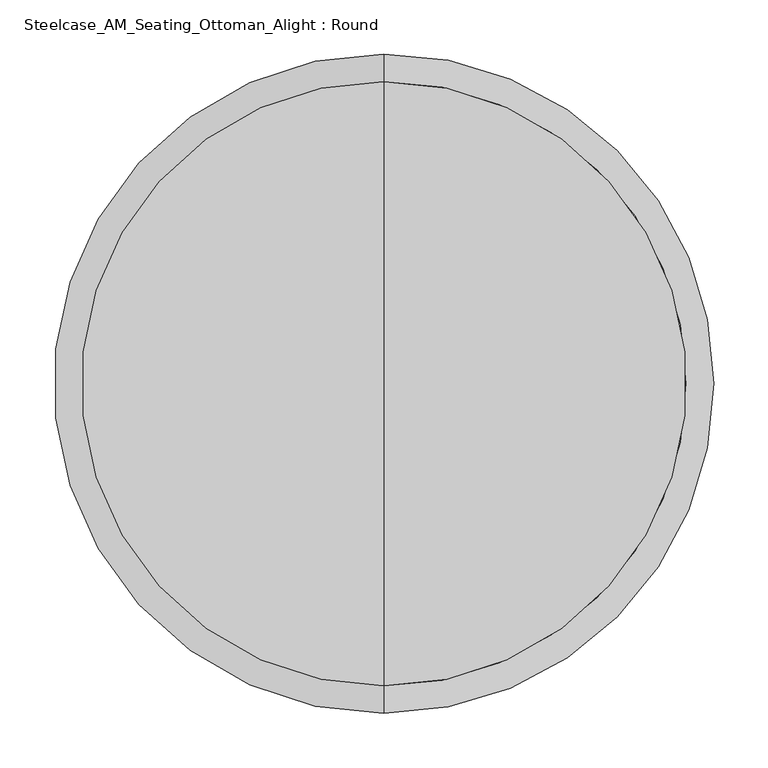
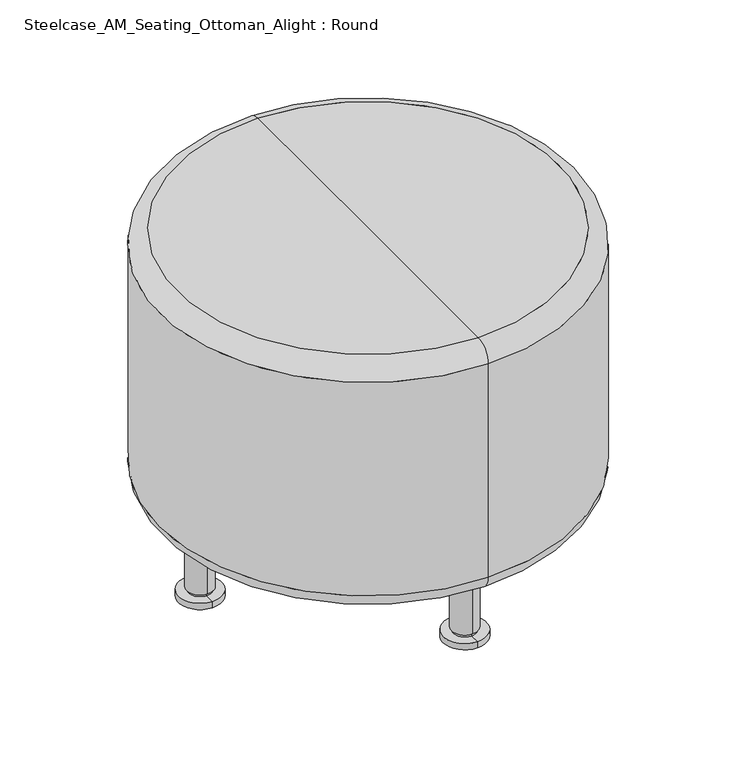
"""IFC4 building model written with IfcOpenShell, lengths in millimetres: furniture geometry, Steelcase_AM_Seating_Ottoman_Alight : Round."""

from ifc_helpers import new_model, si_unit, point, frame, origin, place, context, project, spatial, circle_curve, ellipse_curve, trimmed, source, transform, mapped, element, save
from ifc_brep_helpers import plane_surface, cylinder_surface, revolved_surface, advanced_brep


def steelcase_am_seating_ottoman_alight_round_7d68c386(model_context):
    return source(origin(), model_context, "Body", "AdvancedBrep", [
        advanced_brep(
        [(0.0, 279.4889481, 482.5999727), (0.0, -279.4889481, 482.5999727), (0.0, 0.0, 482.5999727), (0.0, 304.8889481, 457.1999727), (0.0, -304.8889481, 457.1999727), (0.0, 304.8889481, 127.0), (0.0, -304.8889481, 127.0), (0.0, 279.4889481, 101.6), (0.0, -279.4889481, 101.6), (0.0, 0.0, 101.6)],
        [
            (0, 1, circle_curve(frame((0.0, 0.0, 482.5999727), z_axis=(0.0, 0.0, 1.0), x_axis=(0.0, -1.0, 0.0)), 279.4889481)),
            (1, 2),
            (2, 0),
            (1, 0, circle_curve(frame((0.0, 0.0, 482.5999727), z_axis=(0.0, 0.0, 1.0), x_axis=(0.0, -1.0, 0.0)), 279.4889481)),
            (3, 4, circle_curve(frame((0.0, 0.0, 457.1999727), z_axis=(0.0, 0.0, 1.0), x_axis=(0.0, -1.0, 0.0)), 304.8889481)),
            (4, 1, circle_curve(frame((0.0, -279.4889481, 457.1999727), z_axis=(-1.0, 0.0, 0.0), x_axis=(0.0, 1.0, 0.0)), 25.4)),
            (0, 3, circle_curve(frame((0.0, 279.4889481, 457.1999727), z_axis=(-1.0, 0.0, 0.0), x_axis=(0.0, -1.0, 0.0)), 25.4)),
            (4, 3, circle_curve(frame((0.0, 0.0, 457.1999727), z_axis=(0.0, 0.0, 1.0), x_axis=(0.0, -1.0, 0.0)), 304.8889481)),
            (5, 6, circle_curve(frame((0.0, 0.0, 127.0), z_axis=(0.0, 0.0, 1.0), x_axis=(0.0, -1.0, 0.0)), 304.8889481)),
            (6, 4),
            (3, 5),
            (6, 5, circle_curve(frame((0.0, 0.0, 127.0), z_axis=(0.0, 0.0, 1.0), x_axis=(0.0, -1.0, 0.0)), 304.8889481)),
            (7, 8, circle_curve(frame((0.0, 0.0, 101.6), z_axis=(0.0, 0.0, 1.0), x_axis=(0.0, -1.0, 0.0)), 279.4889481)),
            (8, 6, circle_curve(frame((0.0, -279.4889481, 127.0), z_axis=(-1.0, 0.0, 0.0), x_axis=(0.0, 1.0, 0.0)), 25.4)),
            (5, 7, circle_curve(frame((0.0, 279.4889481, 127.0), z_axis=(-1.0, 0.0, 0.0), x_axis=(0.0, -1.0, 0.0)), 25.4)),
            (8, 7, circle_curve(frame((0.0, 0.0, 101.6), z_axis=(0.0, 0.0, 1.0), x_axis=(0.0, -1.0, 0.0)), 279.4889481)),
            (9, 8),
            (7, 9),
        ],
        [
            plane_surface(frame((0.0, 0.0, 482.5999727), z_axis=(0.0, 0.0, 1.0), x_axis=(0.0, -1.0, 0.0))),
            revolved_surface(trimmed(ellipse_curve(frame((0.0, -279.4889481, 457.1999727), z_axis=(1.0, 0.0, 0.0), x_axis=(0.0, 1.0, 0.0)), 25.4, 25.4), [point((0.0, -279.4889481, 482.5999727))], [point((0.0, -304.8889481, 457.1999727))], True, "CARTESIAN"), (0.0, 0.0, 315.1007369), (0.0, 0.0, -1.0)),
            cylinder_surface(frame((0.0, 0.0, 315.1007369), z_axis=(0.0, 0.0, -1.0), x_axis=(0.0, -1.0, 0.0)), 304.8889481),
            revolved_surface(trimmed(ellipse_curve(frame((0.0, -279.4889481, 127.0), z_axis=(1.0, 0.0, 0.0), x_axis=(0.0, 1.0, 0.0)), 25.4, 25.4), [point((0.0, -304.8889481, 127.0))], [point((0.0, -279.4889481, 101.6))], True, "CARTESIAN"), (0.0, 0.0, 315.1007369), (0.0, 0.0, -1.0)),
            plane_surface(frame((0.0, 0.0, 101.6), z_axis=(0.0, 0.0, -1.0), x_axis=(0.0, -1.0, 0.0))),
        ],
        [
            (0, [[1, 2, 3]]),
            (0, [[4, -3, -2]]),
            (1, [[5, 6, -1, 7]]),
            (1, [[8, -7, -4, -6]]),
            (2, [[9, 10, -5, 11]]),
            (2, [[12, -11, -8, -10]]),
            (3, [[13, 14, -9, 15]]),
            (3, [[16, -15, -12, -14]]),
            (4, [[17, -13, 18]]),
            (4, [[-18, -16, -17]]),
        ],
    ),
        advanced_brep(
        [(-246.3731326, -29.9506838, 0.0), (-246.3731326, -0.8303683, 0.0), (-246.3731326, 28.2899473, 0.0), (-246.3731326, -29.9506838, 1.2699867), (-246.3731326, 28.2899473, 1.2699867), (-246.3731326, -32.5801745, 1.2699867), (-246.3731326, 30.9194379, 1.2699867), (-246.3731326, -32.5801745, 10.6679864), (-246.3731326, 30.9194379, 10.6679864), (-246.3731326, -17.8549105, 10.6679864), (-246.3731326, 16.1941739, 10.6679864), (-246.3731326, -17.8549105, 15.2399866), (-246.3731326, 16.1941739, 15.2399866), (-246.3731326, -20.1408175, 15.2399866), (-246.3731326, 18.4800809, 15.2399866), (-246.3731326, -20.1408175, 98.297988), (-246.3731326, 18.4800809, 98.297988), (-246.3731326, -23.1888873, 98.297988), (-246.3731326, 21.5281507, 98.297988), (-246.3731326, -23.1888873, 101.6), (-246.3731326, 21.5281507, 101.6), (-246.3731326, -0.8303683, 101.6)],
        [
            (0, 1),
            (1, 2),
            (2, 0, circle_curve(frame((-246.3731326, -0.8303683, 0.0), z_axis=(0.0, 0.0, -1.0), x_axis=(0.0, 1.0, 0.0)), 29.1203156)),
            (0, 2, circle_curve(frame((-246.3731326, -0.8303683, 0.0), z_axis=(0.0, 0.0, -1.0), x_axis=(0.0, 1.0, 0.0)), 29.1203156)),
            (3, 0),
            (2, 4),
            (4, 3, circle_curve(frame((-246.3731326, -0.8303683, 1.2699867), z_axis=(0.0, 0.0, -1.0), x_axis=(0.0, 1.0, 0.0)), 29.1203156)),
            (3, 4, circle_curve(frame((-246.3731326, -0.8303683, 1.2699867), z_axis=(0.0, 0.0, -1.0), x_axis=(0.0, 1.0, 0.0)), 29.1203156)),
            (5, 3),
            (4, 6),
            (6, 5, circle_curve(frame((-246.3731326, -0.8303683, 1.2699867), z_axis=(0.0, 0.0, -1.0), x_axis=(0.0, 1.0, 0.0)), 31.7498062)),
            (5, 6, circle_curve(frame((-246.3731326, -0.8303683, 1.2699867), z_axis=(0.0, 0.0, -1.0), x_axis=(0.0, 1.0, 0.0)), 31.7498062)),
            (7, 5),
            (6, 8),
            (8, 7, circle_curve(frame((-246.3731326, -0.8303683, 10.6679864), z_axis=(0.0, 0.0, -1.0), x_axis=(0.0, 1.0, 0.0)), 31.7498062)),
            (7, 8, circle_curve(frame((-246.3731326, -0.8303683, 10.6679864), z_axis=(0.0, 0.0, -1.0), x_axis=(0.0, 1.0, 0.0)), 31.7498062)),
            (9, 7),
            (8, 10),
            (10, 9, circle_curve(frame((-246.3731326, -0.8303683, 10.6679864), z_axis=(0.0, 0.0, -1.0), x_axis=(0.0, 1.0, 0.0)), 17.0245422)),
            (9, 10, circle_curve(frame((-246.3731326, -0.8303683, 10.6679864), z_axis=(0.0, 0.0, -1.0), x_axis=(0.0, 1.0, 0.0)), 17.0245422)),
            (11, 9),
            (10, 12),
            (12, 11, circle_curve(frame((-246.3731326, -0.8303683, 15.2399866), z_axis=(0.0, 0.0, -1.0), x_axis=(0.0, 1.0, 0.0)), 17.0245422)),
            (11, 12, circle_curve(frame((-246.3731326, -0.8303683, 15.2399866), z_axis=(0.0, 0.0, -1.0), x_axis=(0.0, 1.0, 0.0)), 17.0245422)),
            (13, 11),
            (12, 14),
            (14, 13, circle_curve(frame((-246.3731326, -0.8303683, 15.2399866), z_axis=(0.0, 0.0, -1.0), x_axis=(0.0, 1.0, 0.0)), 19.3104492)),
            (13, 14, circle_curve(frame((-246.3731326, -0.8303683, 15.2399866), z_axis=(0.0, 0.0, -1.0), x_axis=(0.0, 1.0, 0.0)), 19.3104492)),
            (15, 13),
            (14, 16),
            (16, 15, circle_curve(frame((-246.3731326, -0.8303683, 98.297988), z_axis=(0.0, 0.0, -1.0), x_axis=(0.0, 1.0, 0.0)), 19.3104492)),
            (15, 16, circle_curve(frame((-246.3731326, -0.8303683, 98.297988), z_axis=(0.0, 0.0, -1.0), x_axis=(0.0, 1.0, 0.0)), 19.3104492)),
            (17, 15),
            (16, 18),
            (18, 17, circle_curve(frame((-246.3731326, -0.8303683, 98.297988), z_axis=(0.0, 0.0, -1.0), x_axis=(0.0, 1.0, 0.0)), 22.358519)),
            (17, 18, circle_curve(frame((-246.3731326, -0.8303683, 98.297988), z_axis=(0.0, 0.0, -1.0), x_axis=(0.0, 1.0, 0.0)), 22.358519)),
            (19, 17),
            (18, 20),
            (20, 19, circle_curve(frame((-246.3731326, -0.8303683, 101.6), z_axis=(0.0, 0.0, -1.0), x_axis=(0.0, 1.0, 0.0)), 22.358519)),
            (19, 20, circle_curve(frame((-246.3731326, -0.8303683, 101.6), z_axis=(0.0, 0.0, -1.0), x_axis=(0.0, 1.0, 0.0)), 22.358519)),
            (21, 19),
            (20, 21),
        ],
        [
            plane_surface(frame((-246.3731326, -0.8303683, 0.0), z_axis=(0.0, 0.0, -1.0), x_axis=(0.0, 1.0, 0.0))),
            cylinder_surface(frame((-246.3731326, -0.8303683, 93.7259863), z_axis=(0.0, 0.0, 1.0), x_axis=(0.0, 1.0, 0.0)), 29.1203156),
            plane_surface(frame((-246.3731326, -0.8303683, 1.2699867), z_axis=(0.0, 0.0, -1.0), x_axis=(0.0, 1.0, 0.0))),
            cylinder_surface(frame((-246.3731326, -0.8303683, 93.7259863), z_axis=(0.0, 0.0, 1.0), x_axis=(0.0, 1.0, 0.0)), 31.7498062),
            plane_surface(frame((-246.3731326, -0.8303683, 10.6679864), z_axis=(0.0, 0.0, 1.0), x_axis=(0.0, 1.0, 0.0))),
            cylinder_surface(frame((-246.3731326, -0.8303683, 93.7259863), z_axis=(0.0, 0.0, 1.0), x_axis=(0.0, 1.0, 0.0)), 17.0245422),
            plane_surface(frame((-246.3731326, -0.8303683, 15.2399866), z_axis=(0.0, 0.0, -1.0), x_axis=(0.0, 1.0, 0.0))),
            cylinder_surface(frame((-246.3731326, -0.8303683, 93.7259863), z_axis=(0.0, 0.0, 1.0), x_axis=(0.0, 1.0, 0.0)), 19.3104492),
            plane_surface(frame((-246.3731326, -0.8303683, 98.297988), z_axis=(0.0, 0.0, -1.0), x_axis=(0.0, 1.0, 0.0))),
            cylinder_surface(frame((-246.3731326, -0.8303683, 93.7259863), z_axis=(0.0, 0.0, 1.0), x_axis=(0.0, 1.0, 0.0)), 22.358519),
            plane_surface(frame((-246.3731326, -0.8303683, 101.6), z_axis=(0.0, 0.0, 1.0), x_axis=(0.0, 1.0, 0.0))),
        ],
        [
            (0, [[1, 2, 3]]),
            (0, [[-2, -1, 4]]),
            (1, [[5, -3, 6, 7]]),
            (1, [[-6, -4, -5, 8]]),
            (2, [[9, -7, 10, 11]]),
            (2, [[-10, -8, -9, 12]]),
            (3, [[13, -11, 14, 15]]),
            (3, [[-14, -12, -13, 16]]),
            (4, [[17, -15, 18, 19]]),
            (4, [[-18, -16, -17, 20]]),
            (5, [[21, -19, 22, 23]]),
            (5, [[-22, -20, -21, 24]]),
            (6, [[25, -23, 26, 27]]),
            (6, [[-26, -24, -25, 28]]),
            (7, [[29, -27, 30, 31]]),
            (7, [[-30, -28, -29, 32]]),
            (8, [[33, -31, 34, 35]]),
            (8, [[-34, -32, -33, 36]]),
            (9, [[37, -35, 38, 39]]),
            (9, [[-38, -36, -37, 40]]),
            (10, [[41, -39, 42]]),
            (10, [[-42, -40, -41]]),
        ],
    ),
        advanced_brep(
        [(0.0, -216.4224487, 0.0), (0.0, -245.5427643, 0.0), (0.0, -274.6630798, 0.0), (0.0, -216.4224487, 1.2699867), (0.0, -274.6630798, 1.2699867), (0.0, -213.7929581, 1.2699867), (0.0, -277.2925705, 1.2699867), (0.0, -213.7929581, 10.6679864), (0.0, -277.2925705, 10.6679864), (0.0, -228.518222, 10.6679864), (0.0, -262.5673065, 10.6679864), (0.0, -228.518222, 15.2399866), (0.0, -262.5673065, 15.2399866), (0.0, -226.2323151, 15.2399866), (0.0, -264.8532135, 15.2399866), (0.0, -226.2323151, 98.297988), (0.0, -264.8532135, 98.297988), (0.0, -223.1842453, 98.297988), (0.0, -267.9012833, 98.297988), (0.0, -223.1842453, 101.6), (0.0, -267.9012833, 101.6), (0.0, -245.5427643, 101.6)],
        [
            (0, 1),
            (1, 2),
            (2, 0, circle_curve(frame((0.0, -245.5427643, 0.0), z_axis=(0.0, 0.0, -1.0), x_axis=(0.0, -1.0, 0.0)), 29.1203156)),
            (0, 2, circle_curve(frame((0.0, -245.5427643, 0.0), z_axis=(0.0, 0.0, -1.0), x_axis=(0.0, -1.0, 0.0)), 29.1203156)),
            (3, 0),
            (2, 4),
            (4, 3, circle_curve(frame((0.0, -245.5427643, 1.2699867), z_axis=(0.0, 0.0, -1.0), x_axis=(0.0, -1.0, 0.0)), 29.1203156)),
            (3, 4, circle_curve(frame((0.0, -245.5427643, 1.2699867), z_axis=(0.0, 0.0, -1.0), x_axis=(0.0, -1.0, 0.0)), 29.1203156)),
            (5, 3),
            (4, 6),
            (6, 5, circle_curve(frame((0.0, -245.5427643, 1.2699867), z_axis=(0.0, 0.0, -1.0), x_axis=(0.0, -1.0, 0.0)), 31.7498062)),
            (5, 6, circle_curve(frame((0.0, -245.5427643, 1.2699867), z_axis=(0.0, 0.0, -1.0), x_axis=(0.0, -1.0, 0.0)), 31.7498062)),
            (7, 5),
            (6, 8),
            (8, 7, circle_curve(frame((0.0, -245.5427643, 10.6679864), z_axis=(0.0, 0.0, -1.0), x_axis=(0.0, -1.0, 0.0)), 31.7498062)),
            (7, 8, circle_curve(frame((0.0, -245.5427643, 10.6679864), z_axis=(0.0, 0.0, -1.0), x_axis=(0.0, -1.0, 0.0)), 31.7498062)),
            (9, 7),
            (8, 10),
            (10, 9, circle_curve(frame((0.0, -245.5427643, 10.6679864), z_axis=(0.0, 0.0, -1.0), x_axis=(0.0, -1.0, 0.0)), 17.0245422)),
            (9, 10, circle_curve(frame((0.0, -245.5427643, 10.6679864), z_axis=(0.0, 0.0, -1.0), x_axis=(0.0, -1.0, 0.0)), 17.0245422)),
            (11, 9),
            (10, 12),
            (12, 11, circle_curve(frame((0.0, -245.5427643, 15.2399866), z_axis=(0.0, 0.0, -1.0), x_axis=(0.0, -1.0, 0.0)), 17.0245422)),
            (11, 12, circle_curve(frame((0.0, -245.5427643, 15.2399866), z_axis=(0.0, 0.0, -1.0), x_axis=(0.0, -1.0, 0.0)), 17.0245422)),
            (13, 11),
            (12, 14),
            (14, 13, circle_curve(frame((0.0, -245.5427643, 15.2399866), z_axis=(0.0, 0.0, -1.0), x_axis=(0.0, -1.0, 0.0)), 19.3104492)),
            (13, 14, circle_curve(frame((0.0, -245.5427643, 15.2399866), z_axis=(0.0, 0.0, -1.0), x_axis=(0.0, -1.0, 0.0)), 19.3104492)),
            (15, 13),
            (14, 16),
            (16, 15, circle_curve(frame((0.0, -245.5427643, 98.297988), z_axis=(0.0, 0.0, -1.0), x_axis=(0.0, -1.0, 0.0)), 19.3104492)),
            (15, 16, circle_curve(frame((0.0, -245.5427643, 98.297988), z_axis=(0.0, 0.0, -1.0), x_axis=(0.0, -1.0, 0.0)), 19.3104492)),
            (17, 15),
            (16, 18),
            (18, 17, circle_curve(frame((0.0, -245.5427643, 98.297988), z_axis=(0.0, 0.0, -1.0), x_axis=(0.0, -1.0, 0.0)), 22.358519)),
            (17, 18, circle_curve(frame((0.0, -245.5427643, 98.297988), z_axis=(0.0, 0.0, -1.0), x_axis=(0.0, -1.0, 0.0)), 22.358519)),
            (19, 17),
            (18, 20),
            (20, 19, circle_curve(frame((0.0, -245.5427643, 101.6), z_axis=(0.0, 0.0, -1.0), x_axis=(0.0, -1.0, 0.0)), 22.358519)),
            (19, 20, circle_curve(frame((0.0, -245.5427643, 101.6), z_axis=(0.0, 0.0, -1.0), x_axis=(0.0, -1.0, 0.0)), 22.358519)),
            (21, 19),
            (20, 21),
        ],
        [
            plane_surface(frame((0.0, -245.5427643, 0.0), z_axis=(0.0, 0.0, -1.0), x_axis=(0.0, -1.0, 0.0))),
            cylinder_surface(frame((0.0, -245.5427643, 93.7259863), z_axis=(0.0, 0.0, 1.0), x_axis=(0.0, -1.0, 0.0)), 29.1203156),
            plane_surface(frame((0.0, -245.5427643, 1.2699867), z_axis=(0.0, 0.0, -1.0), x_axis=(0.0, -1.0, 0.0))),
            cylinder_surface(frame((0.0, -245.5427643, 93.7259863), z_axis=(0.0, 0.0, 1.0), x_axis=(0.0, -1.0, 0.0)), 31.7498062),
            plane_surface(frame((0.0, -245.5427643, 10.6679864), z_axis=(0.0, 0.0, 1.0), x_axis=(0.0, -1.0, 0.0))),
            cylinder_surface(frame((0.0, -245.5427643, 93.7259863), z_axis=(0.0, 0.0, 1.0), x_axis=(0.0, -1.0, 0.0)), 17.0245422),
            plane_surface(frame((0.0, -245.5427643, 15.2399866), z_axis=(0.0, 0.0, -1.0), x_axis=(0.0, -1.0, 0.0))),
            cylinder_surface(frame((0.0, -245.5427643, 93.7259863), z_axis=(0.0, 0.0, 1.0), x_axis=(0.0, -1.0, 0.0)), 19.3104492),
            plane_surface(frame((0.0, -245.5427643, 98.297988), z_axis=(0.0, 0.0, -1.0), x_axis=(0.0, -1.0, 0.0))),
            cylinder_surface(frame((0.0, -245.5427643, 93.7259863), z_axis=(0.0, 0.0, 1.0), x_axis=(0.0, -1.0, 0.0)), 22.358519),
            plane_surface(frame((0.0, -245.5427643, 101.6), z_axis=(0.0, 0.0, 1.0), x_axis=(0.0, -1.0, 0.0))),
        ],
        [
            (0, [[1, 2, 3]]),
            (0, [[-2, -1, 4]]),
            (1, [[5, -3, 6, 7]]),
            (1, [[-6, -4, -5, 8]]),
            (2, [[9, -7, 10, 11]]),
            (2, [[-10, -8, -9, 12]]),
            (3, [[13, -11, 14, 15]]),
            (3, [[-14, -12, -13, 16]]),
            (4, [[17, -15, 18, 19]]),
            (4, [[-18, -16, -17, 20]]),
            (5, [[21, -19, 22, 23]]),
            (5, [[-22, -20, -21, 24]]),
            (6, [[25, -23, 26, 27]]),
            (6, [[-26, -24, -25, 28]]),
            (7, [[29, -27, 30, 31]]),
            (7, [[-30, -28, -29, 32]]),
            (8, [[33, -31, 34, 35]]),
            (8, [[-34, -32, -33, 36]]),
            (9, [[37, -35, 38, 39]]),
            (9, [[-38, -36, -37, 40]]),
            (10, [[41, -39, 42]]),
            (10, [[-42, -40, -41]]),
        ],
    ),
        advanced_brep(
        [(246.3731326, -29.9506838, 0.0), (246.3731326, 28.2899473, 0.0), (246.3731326, -0.8303683, 0.0), (246.3731326, -29.9506838, 1.2699867), (246.3731326, 28.2899473, 1.2699867), (246.3731326, -32.5801745, 1.2699867), (246.3731326, 30.9194379, 1.2699867), (246.3731326, -32.5801745, 10.6679864), (246.3731326, 30.9194379, 10.6679864), (246.3731326, -17.8549105, 10.6679864), (246.3731326, 16.1941739, 10.6679864), (246.3731326, -17.8549105, 15.2399866), (246.3731326, 16.1941739, 15.2399866), (246.3731326, -20.1408175, 15.2399866), (246.3731326, 18.4800809, 15.2399866), (246.3731326, -20.1408175, 98.297988), (246.3731326, 18.4800809, 98.297988), (246.3731326, -23.1888873, 98.297988), (246.3731326, 21.5281507, 98.297988), (246.3731326, -23.1888873, 101.6), (246.3731326, 21.5281507, 101.6), (246.3731326, -0.8303683, 101.6)],
        [
            (0, 1, circle_curve(frame((246.3731326, -0.8303683, 0.0), z_axis=(0.0, 0.0, -1.0), x_axis=(0.0, 1.0, 0.0)), 29.1203156)),
            (1, 2),
            (2, 0),
            (1, 0, circle_curve(frame((246.3731326, -0.8303683, 0.0), z_axis=(0.0, 0.0, -1.0), x_axis=(0.0, 1.0, 0.0)), 29.1203156)),
            (3, 4, circle_curve(frame((246.3731326, -0.8303683, 1.2699867), z_axis=(0.0, 0.0, -1.0), x_axis=(0.0, 1.0, 0.0)), 29.1203156)),
            (4, 1),
            (0, 3),
            (4, 3, circle_curve(frame((246.3731326, -0.8303683, 1.2699867), z_axis=(0.0, 0.0, -1.0), x_axis=(0.0, 1.0, 0.0)), 29.1203156)),
            (5, 6, circle_curve(frame((246.3731326, -0.8303683, 1.2699867), z_axis=(0.0, 0.0, -1.0), x_axis=(0.0, 1.0, 0.0)), 31.7498062)),
            (6, 4),
            (3, 5),
            (6, 5, circle_curve(frame((246.3731326, -0.8303683, 1.2699867), z_axis=(0.0, 0.0, -1.0), x_axis=(0.0, 1.0, 0.0)), 31.7498062)),
            (7, 8, circle_curve(frame((246.3731326, -0.8303683, 10.6679864), z_axis=(0.0, 0.0, -1.0), x_axis=(0.0, 1.0, 0.0)), 31.7498062)),
            (8, 6),
            (5, 7),
            (8, 7, circle_curve(frame((246.3731326, -0.8303683, 10.6679864), z_axis=(0.0, 0.0, -1.0), x_axis=(0.0, 1.0, 0.0)), 31.7498062)),
            (9, 10, circle_curve(frame((246.3731326, -0.8303683, 10.6679864), z_axis=(0.0, 0.0, -1.0), x_axis=(0.0, 1.0, 0.0)), 17.0245422)),
            (10, 8),
            (7, 9),
            (10, 9, circle_curve(frame((246.3731326, -0.8303683, 10.6679864), z_axis=(0.0, 0.0, -1.0), x_axis=(0.0, 1.0, 0.0)), 17.0245422)),
            (11, 12, circle_curve(frame((246.3731326, -0.8303683, 15.2399866), z_axis=(0.0, 0.0, -1.0), x_axis=(0.0, 1.0, 0.0)), 17.0245422)),
            (12, 10),
            (9, 11),
            (12, 11, circle_curve(frame((246.3731326, -0.8303683, 15.2399866), z_axis=(0.0, 0.0, -1.0), x_axis=(0.0, 1.0, 0.0)), 17.0245422)),
            (13, 14, circle_curve(frame((246.3731326, -0.8303683, 15.2399866), z_axis=(0.0, 0.0, -1.0), x_axis=(0.0, 1.0, 0.0)), 19.3104492)),
            (14, 12),
            (11, 13),
            (14, 13, circle_curve(frame((246.3731326, -0.8303683, 15.2399866), z_axis=(0.0, 0.0, -1.0), x_axis=(0.0, 1.0, 0.0)), 19.3104492)),
            (15, 16, circle_curve(frame((246.3731326, -0.8303683, 98.297988), z_axis=(0.0, 0.0, -1.0), x_axis=(0.0, 1.0, 0.0)), 19.3104492)),
            (16, 14),
            (13, 15),
            (16, 15, circle_curve(frame((246.3731326, -0.8303683, 98.297988), z_axis=(0.0, 0.0, -1.0), x_axis=(0.0, 1.0, 0.0)), 19.3104492)),
            (17, 18, circle_curve(frame((246.3731326, -0.8303683, 98.297988), z_axis=(0.0, 0.0, -1.0), x_axis=(0.0, 1.0, 0.0)), 22.358519)),
            (18, 16),
            (15, 17),
            (18, 17, circle_curve(frame((246.3731326, -0.8303683, 98.297988), z_axis=(0.0, 0.0, -1.0), x_axis=(0.0, 1.0, 0.0)), 22.358519)),
            (19, 20, circle_curve(frame((246.3731326, -0.8303683, 101.6), z_axis=(0.0, 0.0, -1.0), x_axis=(0.0, 1.0, 0.0)), 22.358519)),
            (20, 18),
            (17, 19),
            (20, 19, circle_curve(frame((246.3731326, -0.8303683, 101.6), z_axis=(0.0, 0.0, -1.0), x_axis=(0.0, 1.0, 0.0)), 22.358519)),
            (21, 20),
            (19, 21),
        ],
        [
            plane_surface(frame((246.3731326, -0.8303683, 0.0), z_axis=(0.0, 0.0, -1.0), x_axis=(0.0, 1.0, 0.0))),
            cylinder_surface(frame((246.3731326, -0.8303683, 93.7259863), z_axis=(0.0, 0.0, 1.0), x_axis=(0.0, 1.0, 0.0)), 29.1203156),
            plane_surface(frame((246.3731326, -0.8303683, 1.2699867), z_axis=(0.0, 0.0, -1.0), x_axis=(0.0, 1.0, 0.0))),
            cylinder_surface(frame((246.3731326, -0.8303683, 93.7259863), z_axis=(0.0, 0.0, 1.0), x_axis=(0.0, 1.0, 0.0)), 31.7498062),
            plane_surface(frame((246.3731326, -0.8303683, 10.6679864), z_axis=(0.0, 0.0, 1.0), x_axis=(0.0, 1.0, 0.0))),
            cylinder_surface(frame((246.3731326, -0.8303683, 93.7259863), z_axis=(0.0, 0.0, 1.0), x_axis=(0.0, 1.0, 0.0)), 17.0245422),
            plane_surface(frame((246.3731326, -0.8303683, 15.2399866), z_axis=(0.0, 0.0, -1.0), x_axis=(0.0, 1.0, 0.0))),
            cylinder_surface(frame((246.3731326, -0.8303683, 93.7259863), z_axis=(0.0, 0.0, 1.0), x_axis=(0.0, 1.0, 0.0)), 19.3104492),
            plane_surface(frame((246.3731326, -0.8303683, 98.297988), z_axis=(0.0, 0.0, -1.0), x_axis=(0.0, 1.0, 0.0))),
            cylinder_surface(frame((246.3731326, -0.8303683, 93.7259863), z_axis=(0.0, 0.0, 1.0), x_axis=(0.0, 1.0, 0.0)), 22.358519),
            plane_surface(frame((246.3731326, -0.8303683, 101.6), z_axis=(0.0, 0.0, 1.0), x_axis=(0.0, 1.0, 0.0))),
        ],
        [
            (0, [[1, 2, 3]]),
            (0, [[4, -3, -2]]),
            (1, [[5, 6, -1, 7]]),
            (1, [[8, -7, -4, -6]]),
            (2, [[9, 10, -5, 11]]),
            (2, [[12, -11, -8, -10]]),
            (3, [[13, 14, -9, 15]]),
            (3, [[16, -15, -12, -14]]),
            (4, [[17, 18, -13, 19]]),
            (4, [[20, -19, -16, -18]]),
            (5, [[21, 22, -17, 23]]),
            (5, [[24, -23, -20, -22]]),
            (6, [[25, 26, -21, 27]]),
            (6, [[28, -27, -24, -26]]),
            (7, [[29, 30, -25, 31]]),
            (7, [[32, -31, -28, -30]]),
            (8, [[33, 34, -29, 35]]),
            (8, [[36, -35, -32, -34]]),
            (9, [[37, 38, -33, 39]]),
            (9, [[40, -39, -36, -38]]),
            (10, [[41, -37, 42]]),
            (10, [[-42, -40, -41]]),
        ],
    ),
        advanced_brep(
        [(0.0, 216.4224487, 0.0), (0.0, 274.6630798, 0.0), (0.0, 245.5427643, 0.0), (0.0, 216.4224487, 1.2699867), (0.0, 274.6630798, 1.2699867), (0.0, 213.7929581, 1.2699867), (0.0, 277.2925705, 1.2699867), (0.0, 213.7929581, 10.6679864), (0.0, 277.2925705, 10.6679864), (0.0, 228.518222, 10.6679864), (0.0, 262.5673065, 10.6679864), (0.0, 228.518222, 15.2399866), (0.0, 262.5673065, 15.2399866), (0.0, 226.2323151, 15.2399866), (0.0, 264.8532135, 15.2399866), (0.0, 226.2323151, 98.297988), (0.0, 264.8532135, 98.297988), (0.0, 223.1842453, 98.297988), (0.0, 267.9012833, 98.297988), (0.0, 223.1842453, 101.6), (0.0, 267.9012833, 101.6), (0.0, 245.5427643, 101.6)],
        [
            (0, 1, circle_curve(frame((0.0, 245.5427643, 0.0), z_axis=(0.0, 0.0, -1.0), x_axis=(0.0, 1.0, 0.0)), 29.1203156)),
            (1, 2),
            (2, 0),
            (1, 0, circle_curve(frame((0.0, 245.5427643, 0.0), z_axis=(0.0, 0.0, -1.0), x_axis=(0.0, 1.0, 0.0)), 29.1203156)),
            (3, 4, circle_curve(frame((0.0, 245.5427643, 1.2699867), z_axis=(0.0, 0.0, -1.0), x_axis=(0.0, 1.0, 0.0)), 29.1203156)),
            (4, 1),
            (0, 3),
            (4, 3, circle_curve(frame((0.0, 245.5427643, 1.2699867), z_axis=(0.0, 0.0, -1.0), x_axis=(0.0, 1.0, 0.0)), 29.1203156)),
            (5, 6, circle_curve(frame((0.0, 245.5427643, 1.2699867), z_axis=(0.0, 0.0, -1.0), x_axis=(0.0, 1.0, 0.0)), 31.7498062)),
            (6, 4),
            (3, 5),
            (6, 5, circle_curve(frame((0.0, 245.5427643, 1.2699867), z_axis=(0.0, 0.0, -1.0), x_axis=(0.0, 1.0, 0.0)), 31.7498062)),
            (7, 8, circle_curve(frame((0.0, 245.5427643, 10.6679864), z_axis=(0.0, 0.0, -1.0), x_axis=(0.0, 1.0, 0.0)), 31.7498062)),
            (8, 6),
            (5, 7),
            (8, 7, circle_curve(frame((0.0, 245.5427643, 10.6679864), z_axis=(0.0, 0.0, -1.0), x_axis=(0.0, 1.0, 0.0)), 31.7498062)),
            (9, 10, circle_curve(frame((0.0, 245.5427643, 10.6679864), z_axis=(0.0, 0.0, -1.0), x_axis=(0.0, 1.0, 0.0)), 17.0245422)),
            (10, 8),
            (7, 9),
            (10, 9, circle_curve(frame((0.0, 245.5427643, 10.6679864), z_axis=(0.0, 0.0, -1.0), x_axis=(0.0, 1.0, 0.0)), 17.0245422)),
            (11, 12, circle_curve(frame((0.0, 245.5427643, 15.2399866), z_axis=(0.0, 0.0, -1.0), x_axis=(0.0, 1.0, 0.0)), 17.0245422)),
            (12, 10),
            (9, 11),
            (12, 11, circle_curve(frame((0.0, 245.5427643, 15.2399866), z_axis=(0.0, 0.0, -1.0), x_axis=(0.0, 1.0, 0.0)), 17.0245422)),
            (13, 14, circle_curve(frame((0.0, 245.5427643, 15.2399866), z_axis=(0.0, 0.0, -1.0), x_axis=(0.0, 1.0, 0.0)), 19.3104492)),
            (14, 12),
            (11, 13),
            (14, 13, circle_curve(frame((0.0, 245.5427643, 15.2399866), z_axis=(0.0, 0.0, -1.0), x_axis=(0.0, 1.0, 0.0)), 19.3104492)),
            (15, 16, circle_curve(frame((0.0, 245.5427643, 98.297988), z_axis=(0.0, 0.0, -1.0), x_axis=(0.0, 1.0, 0.0)), 19.3104492)),
            (16, 14),
            (13, 15),
            (16, 15, circle_curve(frame((0.0, 245.5427643, 98.297988), z_axis=(0.0, 0.0, -1.0), x_axis=(0.0, 1.0, 0.0)), 19.3104492)),
            (17, 18, circle_curve(frame((0.0, 245.5427643, 98.297988), z_axis=(0.0, 0.0, -1.0), x_axis=(0.0, 1.0, 0.0)), 22.358519)),
            (18, 16),
            (15, 17),
            (18, 17, circle_curve(frame((0.0, 245.5427643, 98.297988), z_axis=(0.0, 0.0, -1.0), x_axis=(0.0, 1.0, 0.0)), 22.358519)),
            (19, 20, circle_curve(frame((0.0, 245.5427643, 101.6), z_axis=(0.0, 0.0, -1.0), x_axis=(0.0, 1.0, 0.0)), 22.358519)),
            (20, 18),
            (17, 19),
            (20, 19, circle_curve(frame((0.0, 245.5427643, 101.6), z_axis=(0.0, 0.0, -1.0), x_axis=(0.0, 1.0, 0.0)), 22.358519)),
            (21, 20),
            (19, 21),
        ],
        [
            plane_surface(frame((0.0, 245.5427643, 0.0), z_axis=(0.0, 0.0, -1.0), x_axis=(0.0, 1.0, 0.0))),
            cylinder_surface(frame((0.0, 245.5427643, 93.7259863), z_axis=(0.0, 0.0, 1.0), x_axis=(0.0, 1.0, 0.0)), 29.1203156),
            plane_surface(frame((0.0, 245.5427643, 1.2699867), z_axis=(0.0, 0.0, -1.0), x_axis=(0.0, 1.0, 0.0))),
            cylinder_surface(frame((0.0, 245.5427643, 93.7259863), z_axis=(0.0, 0.0, 1.0), x_axis=(0.0, 1.0, 0.0)), 31.7498062),
            plane_surface(frame((0.0, 245.5427643, 10.6679864), z_axis=(0.0, 0.0, 1.0), x_axis=(0.0, 1.0, 0.0))),
            cylinder_surface(frame((0.0, 245.5427643, 93.7259863), z_axis=(0.0, 0.0, 1.0), x_axis=(0.0, 1.0, 0.0)), 17.0245422),
            plane_surface(frame((0.0, 245.5427643, 15.2399866), z_axis=(0.0, 0.0, -1.0), x_axis=(0.0, 1.0, 0.0))),
            cylinder_surface(frame((0.0, 245.5427643, 93.7259863), z_axis=(0.0, 0.0, 1.0), x_axis=(0.0, 1.0, 0.0)), 19.3104492),
            plane_surface(frame((0.0, 245.5427643, 98.297988), z_axis=(0.0, 0.0, -1.0), x_axis=(0.0, 1.0, 0.0))),
            cylinder_surface(frame((0.0, 245.5427643, 93.7259863), z_axis=(0.0, 0.0, 1.0), x_axis=(0.0, 1.0, 0.0)), 22.358519),
            plane_surface(frame((0.0, 245.5427643, 101.6), z_axis=(0.0, 0.0, 1.0), x_axis=(0.0, 1.0, 0.0))),
        ],
        [
            (0, [[1, 2, 3]]),
            (0, [[4, -3, -2]]),
            (1, [[5, 6, -1, 7]]),
            (1, [[8, -7, -4, -6]]),
            (2, [[9, 10, -5, 11]]),
            (2, [[12, -11, -8, -10]]),
            (3, [[13, 14, -9, 15]]),
            (3, [[16, -15, -12, -14]]),
            (4, [[17, 18, -13, 19]]),
            (4, [[20, -19, -16, -18]]),
            (5, [[21, 22, -17, 23]]),
            (5, [[24, -23, -20, -22]]),
            (6, [[25, 26, -21, 27]]),
            (6, [[28, -27, -24, -26]]),
            (7, [[29, 30, -25, 31]]),
            (7, [[32, -31, -28, -30]]),
            (8, [[33, 34, -29, 35]]),
            (8, [[36, -35, -32, -34]]),
            (9, [[37, 38, -33, 39]]),
            (9, [[40, -39, -36, -38]]),
            (10, [[41, -37, 42]]),
            (10, [[-42, -40, -41]]),
        ],
    ),
    ])


if __name__ == "__main__":
    model = new_model("IFC4")
    model_context = context("Model", 3, world=origin())
    ifc_project = project(units=[si_unit("LENGTHUNIT", "METRE", prefix="MILLI")], contexts=[model_context])
    site = spatial("IfcSite", under=ifc_project)
    building = spatial("IfcBuilding", under=site)
    placement = place(None, origin())
    steelcase_am_seating_ottoman_alight_round_shape = steelcase_am_seating_ottoman_alight_round_7d68c386(model_context)
    element("IfcFurniture", 1, ObjectType="Steelcase_AM_Seating_Ottoman_Alight : Round", at=placement, inside=building, context=model_context, shape_type="MappedRepresentation", body=[
        mapped(steelcase_am_seating_ottoman_alight_round_shape, transform((0.0, 0.0, 0.0), x_axis=(1.0, 0.0, 0.0), y_axis=(0.0, 1.0, 0.0), z_axis=(0.0, 0.0, 1.0))),
    ])
    save(model, "model.ifc")
